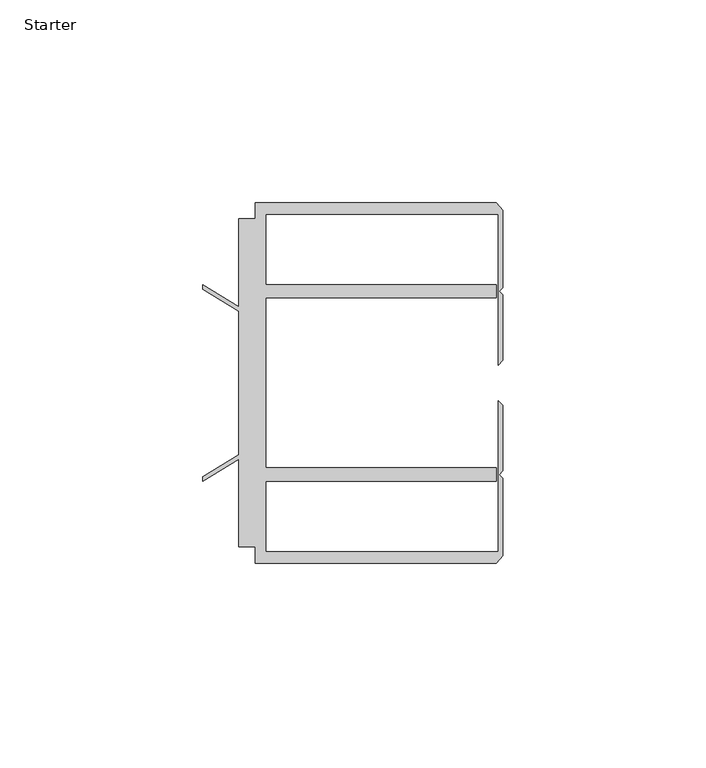
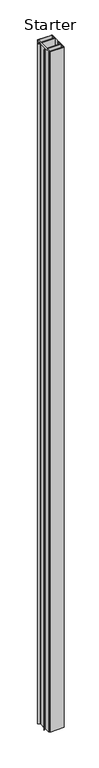
"""IFC4 building model written with IfcOpenShell, lengths in millimetres: furniture geometry, Starter."""

from ifc_helpers import new_model, si_unit, origin, origin_with_axes, place, context, project, spatial, polyline, outline, extrude, source, transform, mapped, element, save


def starter_e1ea7bc3(model_context):
    return source(origin(), model_context, "Body", "SweptSolid", [
        extrude(outline(polyline([(33.9771533, 59.951805), (93.4771531, 59.951805), (95.0646531, 58.0797005), (95.0646531, 39.033865), (94.1563205, 38.1255324), (95.0646531, 37.2171998), (95.0646531, 21.058055), (93.9195633, 19.9129652), (93.9195633, 57.1518064), (36.5771534, 57.1518064), (36.5771534, 39.7518058), (93.4771531, 39.7518058), (93.4771531, 36.4518057), (36.5771534, 36.4518057), (36.5771534, -5.4481956), (93.4771531, -5.4481956), (93.4771531, -8.7481957), (36.5771534, -8.7481957), (36.5771534, -26.1481963), (93.9195633, -26.1481963), (93.9195633, 11.0906449), (95.0646531, 9.945555), (95.0646531, -6.2135897), (94.1563205, -7.1219223), (95.0646531, -8.0302549), (95.0646531, -27.0760904), (93.4771531, -28.948195), (33.9771533, -28.948195), (33.9771533, -24.9481962), (29.9771531, -24.9481962), (29.9771531, -3.3413694), (21.0330919, -8.7481957), (21.0330919, -7.5934952), (29.9771531, -2.1866688), (29.9771531, 33.1902789), (21.0330919, 38.5971052), (21.0330919, 39.7518058), (29.9771531, 34.3449795), (29.9771531, 55.9518063), (33.9771533, 55.9518063), (33.9771533, 59.951805)])), origin_with_axes(), (0.0, 0.0, 1.0), 3048.0),
    ])


if __name__ == "__main__":
    model = new_model("IFC4")
    model_context = context("Model", 3, world=origin())
    ifc_project = project(units=[si_unit("LENGTHUNIT", "METRE", prefix="MILLI")], contexts=[model_context])
    site = spatial("IfcSite", under=ifc_project)
    building = spatial("IfcBuilding", under=site)
    placement = place(None, origin())
    starter_shape = starter_e1ea7bc3(model_context)
    element("IfcFurniture", 1, ObjectType="Starter", at=placement, inside=building, context=model_context, shape_type="MappedRepresentation", body=[
        mapped(starter_shape, transform((0.0, 0.0, 0.0), x_axis=(1.0, 0.0, 0.0), y_axis=(0.0, 1.0, 0.0), z_axis=(0.0, 0.0, 1.0))),
    ])
    save(model, "model.ifc")
